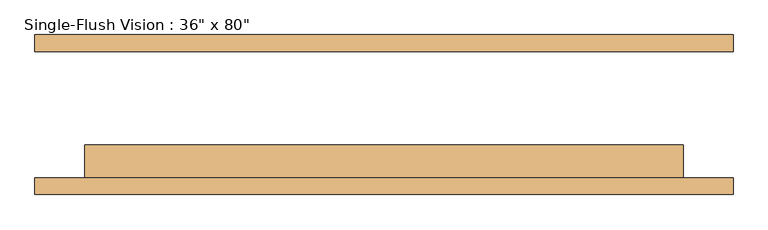
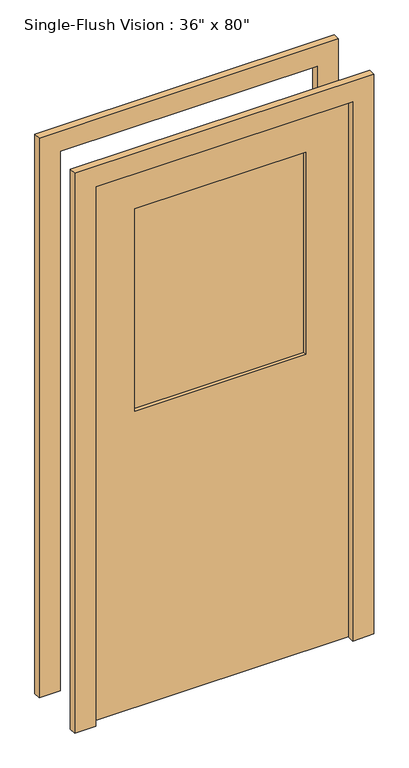
"""IFC4 building model written with IfcOpenShell, lengths in millimetres: door geometry."""

from ifc_helpers import new_model, si_unit, frame, origin, place, context, project, spatial, polyline, outline, extrude, source, transform, mapped, element, save


def door_56a09062(model_context):
    return source(origin(), model_context, "Body", "SweptSolid", [
        extrude(outline(polyline([(2108.2, -533.4), (0.0, -533.4), (0.0, -457.2), (2032.0, -457.2), (2032.0, 457.2), (0.0, 457.2), (0.0, 533.4), (2108.2, 533.4), (2108.2, -533.4)])), frame((0.0, -122.2375, 0.0), z_axis=(0.0, 1.0, 0.0), x_axis=(0.0, 0.0, 1.0)), (0.0, 0.0, 1.0), 25.4),
        extrude(outline(polyline([(2032.0, 457.2), (0.0, 457.2), (0.0, 533.4), (2108.2, 533.4), (2108.2, -533.4), (0.0, -533.4), (0.0, -457.2), (2032.0, -457.2), (2032.0, 457.2)])), frame((0.0, 96.8375, 0.0), z_axis=(0.0, 1.0, 0.0), x_axis=(0.0, 0.0, 1.0)), (0.0, 0.0, 1.0), 25.4),
        extrude(outline(polyline([(304.8, -58.7375), (304.8, -65.0875), (-304.8, -65.0875), (-304.8, -58.7375), (304.8, -58.7375)])), frame((0.0, 0.0, 1117.6), z_axis=(0.0, 0.0, 1.0), x_axis=(1.0, 0.0, 0.0)), (0.0, 0.0, 1.0), 762.0),
        extrude(outline(polyline([(304.8, -77.7875), (304.8, -84.1375), (-304.8, -84.1375), (-304.8, -77.7875), (304.8, -77.7875)])), frame((0.0, 0.0, 1117.6), z_axis=(0.0, 0.0, 1.0), x_axis=(1.0, 0.0, 0.0)), (0.0, 0.0, 1.0), 762.0),
        extrude(outline(polyline([(2032.0, -457.2), (0.0, -457.2), (0.0, 457.2), (2032.0, 457.2), (2032.0, -457.2)]), holes=[polyline([(1879.6, -304.8), (1879.6, 304.8), (1117.6, 304.8), (1117.6, -304.8), (1879.6, -304.8)])]), frame((0.0, -96.8375, 0.0), z_axis=(0.0, 1.0, 0.0), x_axis=(0.0, 0.0, 1.0)), (0.0, 0.0, 1.0), 50.8),
    ])


if __name__ == "__main__":
    model = new_model("IFC4")
    model_context = context("Model", 3, world=origin())
    ifc_project = project(units=[si_unit("LENGTHUNIT", "METRE", prefix="MILLI")], contexts=[model_context])
    site = spatial("IfcSite", under=ifc_project)
    building = spatial("IfcBuilding", under=site)
    placement = place(None, origin())
    door_shape = door_56a09062(model_context)
    element("IfcDoor", 1, ObjectType="Single-Flush Vision : 36\" x 80\"", at=placement, inside=building, context=model_context, shape_type="MappedRepresentation", body=[
        mapped(door_shape, transform((0.0, 0.0, 0.0), x_axis=(1.0, 0.0, 0.0), y_axis=(0.0, 1.0, 0.0), z_axis=(0.0, 0.0, 1.0))),
    ])
    save(model, "model.ifc")
